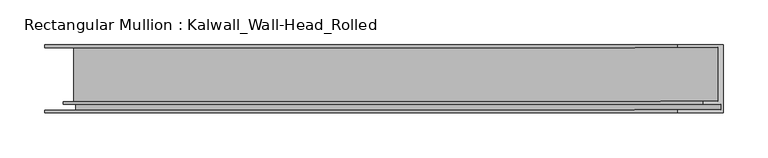
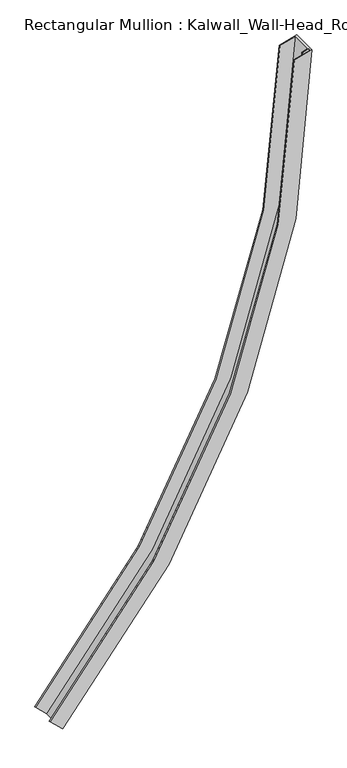
"""IFC4 building model written with IfcOpenShell, lengths in millimetres: member geometry, Rectangular Mullion : Kalwall_Wall-Head_Rolled."""

import ifcopenshell
import ifcopenshell.guid

model = None  # the IFC model being written
_history = None  # IfcOwnerHistory: only IFC2X3 demands one
_inside = {}  # id of a spatial element -> (the spatial element, [elements in it])
_under = {}  # id of a project, library or spatial element -> (it, [spatial elements below it])
_declared = {}  # id of a project -> (the project, [libraries it declares])
_typed = {}  # id of a type object -> (the type object, [elements of that type])
_made_of = {}  # id of a material, layer set ... -> (it, [elements and type objects made of it])


def new_model(schema):
    """Start an empty IFC model of exactly this schema.

    Asked for "IFC4X3", IfcOpenShell would pick the latest addendum, in which some entities
    have other attributes; the version numbers below select the first issue.
    IFC2X3 requires an IfcOwnerHistory on every rooted entity: one is made here for all.
    """
    global model, _history
    if schema == "IFC4X3":
        model = ifcopenshell.file(schema_version=(4, 3, 0, 0))
    else:
        model = ifcopenshell.file(schema=schema)
    _inside.clear()
    _under.clear()
    _declared.clear()
    _typed.clear()
    _made_of.clear()
    _history = None
    if model.schema == "IFC2X3":
        org = make("IfcOrganization", Name="unknown")
        user = make(
            "IfcPersonAndOrganization",
            ThePerson=make("IfcPerson", FamilyName="unknown"),
            TheOrganization=org,
        )
        app = make(
            "IfcApplication",
            ApplicationDeveloper=org,
            Version="unknown",
            ApplicationFullName="unknown",
            ApplicationIdentifier="unknown",
        )
        _history = make(
            "IfcOwnerHistory",
            OwningUser=user,
            OwningApplication=app,
            ChangeAction="ADDED",
            CreationDate=0,
        )
    return model


def make(cls, **values):
    """One entity of the class cls with the attributes given. An attribute that is None is left unset."""
    return model.create_entity(
        cls, **{name: value for name, value in values.items() if value is not None}
    )


def rooted(cls, **values):
    """An entity with a GlobalId (a new one), such as an element, a storey or a relation."""
    return make(cls, GlobalId=ifcopenshell.guid.new(), OwnerHistory=_history, **values)


def si_unit(unit_type, name, prefix=None):
    """IfcSIUnit, for example si_unit("LENGTHUNIT", "METRE", prefix="MILLI")."""
    return make("IfcSIUnit", UnitType=unit_type, Prefix=prefix, Name=name)


def assignment(units):
    """IfcUnitAssignment: the units of a project."""
    return None if units is None else make("IfcUnitAssignment", Units=units)


def point(xyz):
    """IfcCartesianPoint."""
    return None if xyz is None else make("IfcCartesianPoint", Coordinates=xyz)


def direction(xyz):
    """IfcDirection."""
    return None if xyz is None else make("IfcDirection", DirectionRatios=xyz)


def frame(location, z_axis=None, x_axis=None):
    """IfcAxis2Placement3D, a coordinate frame: its origin and axes. An axis left out is left unset."""
    return make(
        "IfcAxis2Placement3D",
        Location=point(location),
        Axis=direction(z_axis),
        RefDirection=direction(x_axis),
    )


def origin():
    """The frame at (0, 0, 0) with its axes left unset."""
    return frame((0.0, 0.0, 0.0))


def place(relative_to, where):
    """IfcLocalPlacement: puts the frame where relative to a parent placement (None: the world)."""
    return make(
        "IfcLocalPlacement", PlacementRelTo=relative_to, RelativePlacement=where
    )


def context(
    kind, dimensions, precision=None, world=None, true_north=None, identifier=None
):
    """IfcGeometricRepresentationContext, for example the 3D "Model" context."""
    return make(
        "IfcGeometricRepresentationContext",
        ContextIdentifier=identifier,
        ContextType=kind,
        CoordinateSpaceDimension=dimensions,
        Precision=precision,
        WorldCoordinateSystem=world,
        TrueNorth=true_north,
    )


def project(units=None, contexts=None):
    """IfcProject with its units and contexts."""
    return rooted(
        "IfcProject",
        Name="project",
        RepresentationContexts=contexts,
        UnitsInContext=assignment(units),
    )


def spatial(cls, under=None, at=None, **own):
    """A site, building, storey or space (cls), placed at a placement, below another one or the project."""
    s = rooted(cls, ObjectPlacement=at, **own)
    if under is not None:
        _under.setdefault(under.id(), (under, []))[1].append(s)
    return s


def polyline(points):
    """IfcPolyline through the points."""
    return make("IfcPolyline", Points=[point(p) for p in points])


def circle_curve(where, radius):
    """IfcCircle in the frame where."""
    return make("IfcCircle", Position=where, Radius=radius)


def shape(context_of_items, identifier, shape_type, items):
    """IfcShapeRepresentation: the items that make up one representation, for example the "Body"."""
    return make(
        "IfcShapeRepresentation",
        ContextOfItems=context_of_items,
        RepresentationIdentifier=identifier,
        RepresentationType=shape_type,
        Items=items,
    )


def source(mapping_origin, context_of_items, identifier, shape_type, items):
    """IfcRepresentationMap: a shape defined once, which mapped items show again and again."""
    return make(
        "IfcRepresentationMap",
        MappingOrigin=mapping_origin,
        MappedRepresentation=shape(context_of_items, identifier, shape_type, items),
    )


def transform(
    local_origin,
    x_axis=None,
    y_axis=None,
    z_axis=None,
    scale=None,
    scale2=None,
    scale3=None,
    uniform=True,
):
    """IfcCartesianTransformationOperator3D, or its non-uniform kind. x_axis, y_axis, z_axis: its Axis1, 2, 3."""
    if uniform:
        return make(
            "IfcCartesianTransformationOperator3D",
            Axis1=direction(x_axis),
            Axis2=direction(y_axis),
            LocalOrigin=point(local_origin),
            Scale=scale,
            Axis3=direction(z_axis),
        )
    return make(
        "IfcCartesianTransformationOperator3DnonUniform",
        Axis1=direction(x_axis),
        Axis2=direction(y_axis),
        LocalOrigin=point(local_origin),
        Scale=scale,
        Axis3=direction(z_axis),
        Scale2=scale2,
        Scale3=scale3,
    )


def mapped(mapping_source, mapping_target):
    """IfcMappedItem: shows the shape of a source again, moved by a transform."""
    return make(
        "IfcMappedItem", MappingSource=mapping_source, MappingTarget=mapping_target
    )


def made_of(thing, what):
    """Note that an element or type object is made of a material, layer set ...; save() writes the relation."""
    if what is not None:
        _made_of.setdefault(what.id(), (what, []))[1].append(thing)
    return thing


def element(
    cls,
    number,
    at=None,
    inside=None,
    cuts=None,
    type_object=None,
    material=None,
    context=None,
    identifier="Body",
    shape_type=None,
    held_by="IfcProductDefinitionShape",
    body=None,
    shapes=None,
    **own,
):
    """One element of the class cls, such as IfcWall. Its Tag is "e" and its number.

    at: its placement. inside: the storey or other place that contains it. cuts: it is an
    opening in that element (IfcRelVoidsElement). A single representation is given by context,
    identifier, shape_type and body (its items); several are given by shapes. held_by: the class
    of the entity that holds the representations. save() writes the other relations.
    """
    e = rooted(cls, Tag="e%d" % number, ObjectPlacement=at, **own)
    if body is not None:
        shapes = [shape(context, identifier, shape_type, body)]
    if shapes is not None:
        e.Representation = make(held_by, Representations=shapes)
    if inside is not None:
        _inside.setdefault(inside.id(), (inside, []))[1].append(e)
    if cuts is not None:
        rooted(
            "IfcRelVoidsElement", RelatingBuildingElement=cuts, RelatedOpeningElement=e
        )
    if type_object is not None:
        _typed.setdefault(type_object.id(), (type_object, []))[1].append(e)
    return made_of(e, material)


def aggregate(whole, parts):
    """IfcRelAggregates: a whole, such as a stair, and the parts it consists of."""
    return rooted("IfcRelAggregates", RelatingObject=whole, RelatedObjects=parts)


def save(model, path):
    """Write the relations noted so far, then the file.

    IfcRelAggregates (storeys below a building ...), IfcRelContainedInSpatialStructure (elements
    in a storey), IfcRelDefinesByType, IfcRelAssociatesMaterial and IfcRelDeclares: one each for
    every whole, place, type object, material and project.
    """
    for whole, parts in _under.values():
        aggregate(whole, parts)
    for where, things in _inside.values():
        rooted(
            "IfcRelContainedInSpatialStructure",
            RelatedElements=things,
            RelatingStructure=where,
        )
    for kind, things in _typed.values():
        rooted("IfcRelDefinesByType", RelatedObjects=things, RelatingType=kind)
    for what, things in _made_of.values():
        rooted("IfcRelAssociatesMaterial", RelatedObjects=things, RelatingMaterial=what)
    for by, libraries in _declared.values():
        rooted("IfcRelDeclares", RelatingContext=by, RelatedDefinitions=libraries)
    model.write(path)


def plane_surface(at):
    """IfcPlane: the flat surface through the origin of the frame at, square to its z axis."""
    return make("IfcPlane", Position=at)


def cylinder_surface(at, radius):
    """IfcCylindricalSurface: all points at the distance radius from the z axis of the frame at."""
    return make("IfcCylindricalSurface", Position=at, Radius=radius)


def revolved_surface(curve, axis_point, axis_direction):
    """IfcSurfaceOfRevolution: the curve turned about the line through axis_point along axis_direction."""
    return make(
        "IfcSurfaceOfRevolution",
        SweptCurve=make("IfcArbitraryOpenProfileDef", ProfileType="CURVE", Curve=curve),
        AxisPosition=make("IfcAxis1Placement", Location=point(axis_point), Axis=direction(axis_direction)),
    )


def advanced_brep(points, edges, surfaces, faces):
    """IfcAdvancedBrep: a solid bounded by faces that lie on surfaces and meet in shared edges.

    An edge is (start, end): straight between two places in points (the first is 0);
    or (start, end, curve); or (start, end, curve, False) where it runs against its curve.
    A face is (place in surfaces, loops), or (place, loops, False) where it looks against
    its surface's normal. A loop lists edges by number (the first is 1), with a minus sign
    where the edge is run from its end to its start. The first loop is the outer one.
    """
    corners = [point(p) for p in points]
    vertices = [make("IfcVertexPoint", VertexGeometry=c) for c in corners]
    made = []
    for start, end, *more in edges:
        made.append(
            make(
                "IfcEdgeCurve",
                EdgeStart=vertices[start],
                EdgeEnd=vertices[end],
                EdgeGeometry=more[0] if more else make("IfcPolyline", Points=[corners[start], corners[end]]),
                SameSense=more[1] if len(more) > 1 else True,
            )
        )
    hull = []
    for where, loops, *sense in faces:
        bounds = []
        for j, loop in enumerate(loops):
            ring = [make("IfcOrientedEdge", EdgeElement=made[abs(k) - 1], Orientation=k > 0) for k in loop]
            bounds.append(
                make(
                    "IfcFaceOuterBound" if j == 0 else "IfcFaceBound",
                    Bound=make("IfcEdgeLoop", EdgeList=ring),
                    Orientation=True,
                )
            )
        hull.append(make("IfcAdvancedFace", Bounds=bounds, FaceSurface=surfaces[where], SameSense=sense[0] if sense else True))
    return make("IfcAdvancedBrep", Outer=make("IfcClosedShell", CfsFaces=hull))


def rectangular_mullion_kalwall_wall_head_rolled_e9854ae4(model_context):
    return source(origin(), model_context, "Body", "AdvancedBrep", [
        advanced_brep(
        [(-759.8766861, 38.0270489, -1791.1780548), (-50.838047, 38.0270489, -14.1112013), (0.0, 38.0270489, 0.0), (-722.8416939, 38.0270489, -1825.9494417), (-759.8766861, 34.8520489, -1791.1780548), (-50.838047, 34.8520489, -14.1112013), (-727.4710679, 34.8520489, -1821.6030183), (-6.3505838, 34.8520489, -1.7627421), (-727.4710679, -25.4729511, -1821.6030183), (-6.3505838, -25.4729511, -1.7627421), (-739.044503, -25.4729511, -1810.7369599), (-22.2321976, -25.4729511, -6.1710281), (-739.044503, -28.6479511, -1810.7369599), (-22.2321976, -28.6479511, -6.1710281), (-725.1563809, -28.6479511, -1823.77623), (-3.1751458, -28.6479511, -0.8813305), (-725.1563809, -34.9979511, -1823.77623), (-3.1751458, -34.9979511, -0.8813305), (-759.8766861, -34.9979511, -1791.1780548), (-50.838047, -34.9979511, -14.1112013), (-759.8766861, -38.1729511, -1791.1780548), (-50.838047, -38.1729511, -14.1112013), (-722.8416939, -38.1729511, -1825.9494417), (0.0, -38.1729511, 0.0)],
        [
            (0, 1, circle_curve(frame((-2667.6598146, 38.0270489, 0.0), z_axis=(0.0, -1.0, 0.0), x_axis=(1.0, 0.0, 0.0)), 2616.8598146)),
            (1, 2),
            (2, 3, circle_curve(frame((-2667.6598146, 38.0270489, 0.0), z_axis=(0.0, 1.0, 0.0), x_axis=(1.0, 0.0, 0.0)), 2667.6598146)),
            (3, 0),
            (4, 5, circle_curve(frame((-2667.6598146, 34.8520489, 0.0), z_axis=(0.0, -1.0, 0.0), x_axis=(1.0, 0.0, 0.0)), 2616.8598146)),
            (5, 1),
            (0, 4),
            (6, 7, circle_curve(frame((-2667.6598146, 34.8520489, 0.0), z_axis=(0.0, -1.0, 0.0), x_axis=(1.0, 0.0, 0.0)), 2661.3098146)),
            (7, 5),
            (4, 6),
            (8, 9, circle_curve(frame((-2667.6598146, -25.4729511, 0.0), z_axis=(0.0, -1.0, 0.0), x_axis=(1.0, 0.0, 0.0)), 2661.3098146)),
            (9, 7),
            (6, 8),
            (10, 11, circle_curve(frame((-2667.6598146, -25.4729511, 0.0), z_axis=(0.0, -1.0, 0.0), x_axis=(1.0, 0.0, 0.0)), 2645.4348146)),
            (11, 9),
            (8, 10),
            (12, 13, circle_curve(frame((-2667.6598146, -28.6479511, 0.0), z_axis=(0.0, -1.0, 0.0), x_axis=(1.0, 0.0, 0.0)), 2645.4348146)),
            (13, 11),
            (10, 12),
            (14, 15, circle_curve(frame((-2667.6598146, -28.6479511, 0.0), z_axis=(0.0, -1.0, 0.0), x_axis=(1.0, 0.0, 0.0)), 2664.4848146)),
            (15, 13),
            (12, 14),
            (16, 17, circle_curve(frame((-2667.6598146, -34.9979511, 0.0), z_axis=(0.0, -1.0, 0.0), x_axis=(1.0, 0.0, 0.0)), 2664.4848146)),
            (17, 15),
            (14, 16),
            (18, 19, circle_curve(frame((-2667.6598146, -34.9979511, 0.0), z_axis=(0.0, -1.0, 0.0), x_axis=(1.0, 0.0, 0.0)), 2616.8598146)),
            (19, 17),
            (16, 18),
            (20, 21, circle_curve(frame((-2667.6598146, -38.1729511, 0.0), z_axis=(0.0, -1.0, 0.0), x_axis=(1.0, 0.0, 0.0)), 2616.8598146)),
            (21, 19),
            (18, 20),
            (22, 23, circle_curve(frame((-2667.6598146, -38.1729511, 0.0), z_axis=(0.0, -1.0, 0.0), x_axis=(1.0, 0.0, 0.0)), 2667.6598146)),
            (23, 21),
            (20, 22),
            (2, 23),
            (22, 3),
        ],
        [
            plane_surface(frame((-2667.6598146, 38.0270489, 0.0), z_axis=(0.0, 1.0, 0.0), x_axis=(1.0, 0.0, 0.0))),
            revolved_surface(polyline([(-50.80000000000018, 38.0270489, 0.0), (-50.80000000000018, 34.8520489, 0.0)]), (-2667.6598146, 0.0, 0.0), (0.0, 1.0, 0.0)),
            plane_surface(frame((-2667.6598146, 34.8520489, 0.0), z_axis=(0.0, -1.0, 0.0), x_axis=(1.0, 0.0, 0.0))),
            revolved_surface(polyline([(-6.349999999999909, 34.8520489, 0.0), (-6.349999999999909, -25.4729511, 0.0)]), (-2667.6598146, 0.0, 0.0), (0.0, 1.0, 0.0)),
            plane_surface(frame((-2667.6598146, -25.4729511, 0.0), z_axis=(0.0, 1.0, 0.0), x_axis=(1.0, 0.0, 0.0))),
            revolved_surface(polyline([(-22.22499999999991, -25.4729511, 0.0), (-22.22499999999991, -28.6479511, 0.0)]), (-2667.6598146, 0.0, 0.0), (0.0, 1.0, 0.0)),
            plane_surface(frame((-2667.6598146, -28.6479511, 0.0), z_axis=(0.0, -1.0, 0.0), x_axis=(1.0, 0.0, 0.0))),
            revolved_surface(polyline([(-3.175000000000182, -28.6479511, 0.0), (-3.175000000000182, -34.9979511, 0.0)]), (-2667.6598146, 0.0, 0.0), (0.0, 1.0, 0.0)),
            plane_surface(frame((-2667.6598146, -34.9979511, 0.0), z_axis=(0.0, 1.0, 0.0), x_axis=(1.0, 0.0, 0.0))),
            revolved_surface(polyline([(-50.80000000000018, -34.9979511, 0.0), (-50.80000000000018, -38.1729511, 0.0)]), (-2667.6598146, 0.0, 0.0), (0.0, 1.0, 0.0)),
            plane_surface(frame((-2667.6598146, -38.1729511, 0.0), z_axis=(0.0, -1.0, 0.0), x_axis=(1.0, 0.0, 0.0))),
            cylinder_surface(frame((-2667.6598146, 0.0, 0.0), z_axis=(0.0, 1.0, 0.0), x_axis=(1.0, 0.0, 0.0)), 2667.6598146),
            plane_surface(frame((0.0, -304.8, 0.0), z_axis=(-0.2674594802571828, 0.0, 0.9635691082743145), x_axis=(-0.9635691082743145, 0.0, -0.2674594802571828))),
            plane_surface(frame((-500.6317404, 0.0, -2034.5777634), z_axis=(-0.6844761208791489, 0.0, -0.7290352803165515), x_axis=(0.0, -1.0, 0.0))),
        ],
        [
            (0, [[1, 2, 3, 4]]),
            (1, [[5, 6, -1, 7]]),
            (2, [[8, 9, -5, 10]]),
            (3, [[11, 12, -8, 13]]),
            (4, [[14, 15, -11, 16]]),
            (5, [[17, 18, -14, 19]]),
            (6, [[20, 21, -17, 22]]),
            (7, [[23, 24, -20, 25]]),
            (8, [[26, 27, -23, 28]]),
            (9, [[29, 30, -26, 31]]),
            (10, [[32, 33, -29, 34]]),
            (11, [[-3, 35, -32, 36]]),
            (12, [[-2, -6, -9, -12, -15, -18, -21, -24, -27, -30, -33, -35]]),
            (13, [[-36, -34, -31, -28, -25, -22, -19, -16, -13, -10, -7, -4]]),
        ],
    ),
    ])


if __name__ == "__main__":
    model = new_model("IFC4")
    model_context = context("Model", 3, world=origin())
    ifc_project = project(units=[si_unit("LENGTHUNIT", "METRE", prefix="MILLI")], contexts=[model_context])
    site = spatial("IfcSite", under=ifc_project)
    building = spatial("IfcBuilding", under=site)
    placement = place(None, origin())
    rectangular_mullion_kalwall_wall_head_rolled_shape = rectangular_mullion_kalwall_wall_head_rolled_e9854ae4(model_context)
    element("IfcMember", 1, ObjectType="Rectangular Mullion : Kalwall_Wall-Head_Rolled", at=placement, inside=building, context=model_context, shape_type="MappedRepresentation", body=[
        mapped(rectangular_mullion_kalwall_wall_head_rolled_shape, transform((0.0, 0.0, 0.0), x_axis=(1.0, 0.0, 0.0), y_axis=(0.0, 1.0, 0.0), z_axis=(0.0, 0.0, 1.0))),
    ])
    save(model, "model.ifc")
